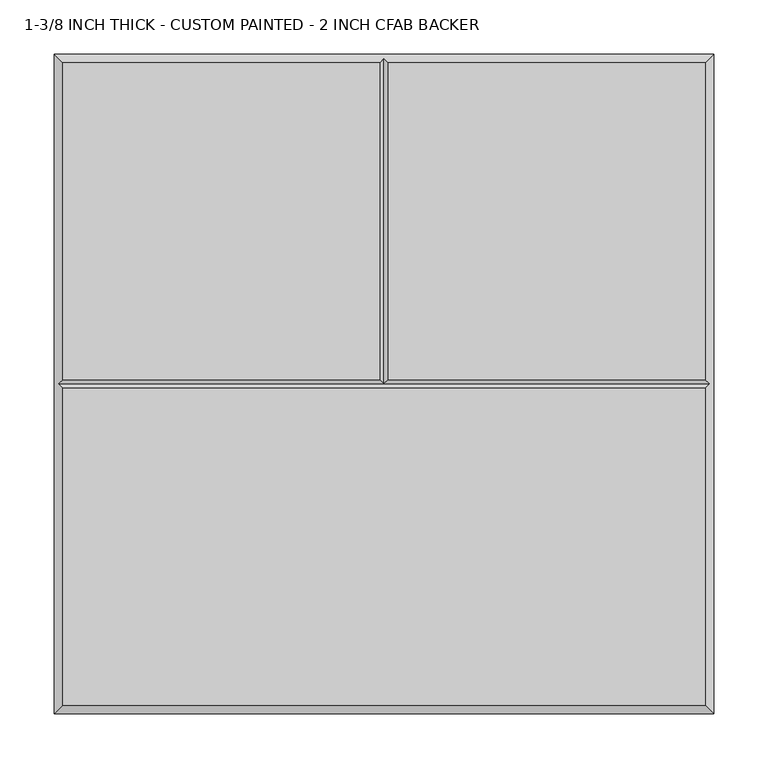
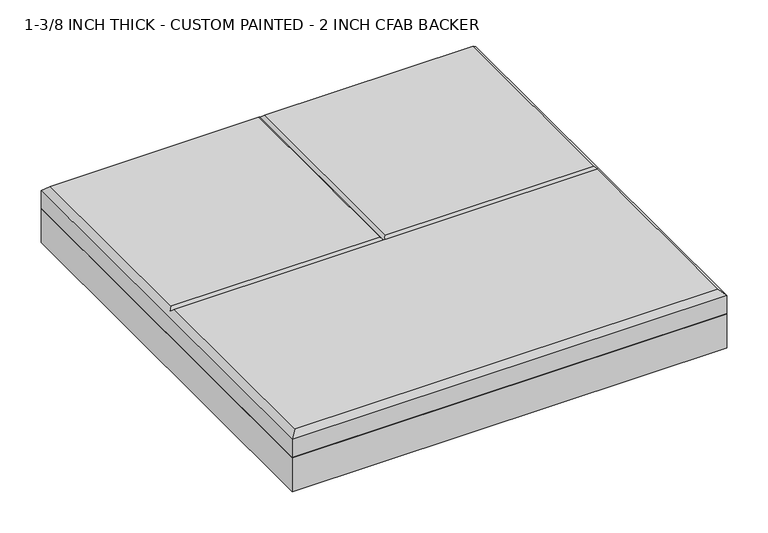
"""IFC4 building model written with IfcOpenShell, lengths in millimetres: proxy geometry, 1-3/8 INCH THICK - CUSTOM PAINTED - 2 INCH CFAB BACKER."""

from ifc_helpers import new_model, si_unit, frame, origin, place, context, project, spatial, polyline, outline, extrude, faceted_brep, source, transform, mapped, element, save


def proxy_1_3_8_inch_thick_custom_painted_2_inch_cfab_backer_a09ddd9e(model_context):
    return source(origin(), model_context, "Body", "SolidModel", [
        extrude(outline(polyline([(-304.8, 304.8), (304.8, 304.8), (304.8, -304.8), (-304.8, -304.8), (-304.8, 304.8)])), frame((0.0, 0.0, -50.8), z_axis=(0.0, 0.0, 1.0), x_axis=(1.0, 0.0, 0.0)), (0.0, 0.0, 1.0), 50.8),
        faceted_brep([(-296.799, -296.799, 34.925), (296.799, -296.799, 34.925), (296.799, -4.0005127, 34.925), (-296.799, -4.0005127, 34.925), (-296.799, 296.799, 34.925), (-296.799, 4.0004873, 34.925), (-4.0005, 4.0004873, 34.925), (-4.0005, 296.799, 34.925), (296.799, 4.0004873, 34.925), (296.799, 296.799, 34.925), (4.0005, 296.799, 34.925), (4.0005, 4.0004873, 34.925), (-304.8, 304.8, 0.0), (304.8, 304.8, 0.0), (304.8, -304.8, 0.0), (-304.8, -304.8, 0.0), (-304.8, -304.8, 26.924), (-304.8, 304.8, 26.924), (304.8, -304.8, 26.924), (304.8, 304.8, 26.924), (0.0, 300.7995, 30.9245), (-300.7995, -1.27e-05, 30.9245), (300.7995, -1.27e-05, 30.9245), (0.0, -1.27e-05, 30.9245)], [[[0, 1, 2, 3]], [[4, 5, 6, 7]], [[8, 9, 10, 11]], [[12, 13, 14, 15]], [[12, 15, 16, 17]], [[15, 14, 18, 16]], [[14, 13, 19, 18]], [[13, 12, 17, 19]], [[17, 4, 7, 20, 10, 9, 19]], [[4, 17, 16, 0, 3, 21, 5]], [[0, 16, 18, 1]], [[19, 9, 8, 22, 2, 1, 18]], [[5, 21, 23, 6]], [[22, 8, 11, 23]], [[3, 2, 22, 23, 21]], [[20, 23, 11, 10]], [[23, 20, 7, 6]]]),
    ])


if __name__ == "__main__":
    model = new_model("IFC4")
    model_context = context("Model", 3, world=origin())
    ifc_project = project(units=[si_unit("LENGTHUNIT", "METRE", prefix="MILLI")], contexts=[model_context])
    site = spatial("IfcSite", under=ifc_project)
    building = spatial("IfcBuilding", under=site)
    placement = place(None, origin())
    proxy_1_3_8_inch_thick_custom_painted_2_inch_cfab_backer_shape = proxy_1_3_8_inch_thick_custom_painted_2_inch_cfab_backer_a09ddd9e(model_context)
    element("IfcBuildingElementProxy", 1, Name="1-3/8 INCH THICK - CUSTOM PAINTED - 2 INCH CFAB BACKER", ObjectType="1-3/8 INCH THICK - CUSTOM PAINTED - 2 INCH CFAB BACKER", at=placement, inside=building, context=model_context, shape_type="MappedRepresentation", body=[
        mapped(proxy_1_3_8_inch_thick_custom_painted_2_inch_cfab_backer_shape, transform((0.0, 0.0, 0.0), x_axis=(1.0, 0.0, 0.0), y_axis=(0.0, 1.0, 0.0), z_axis=(0.0, 0.0, 1.0))),
    ])
    save(model, "model.ifc")
